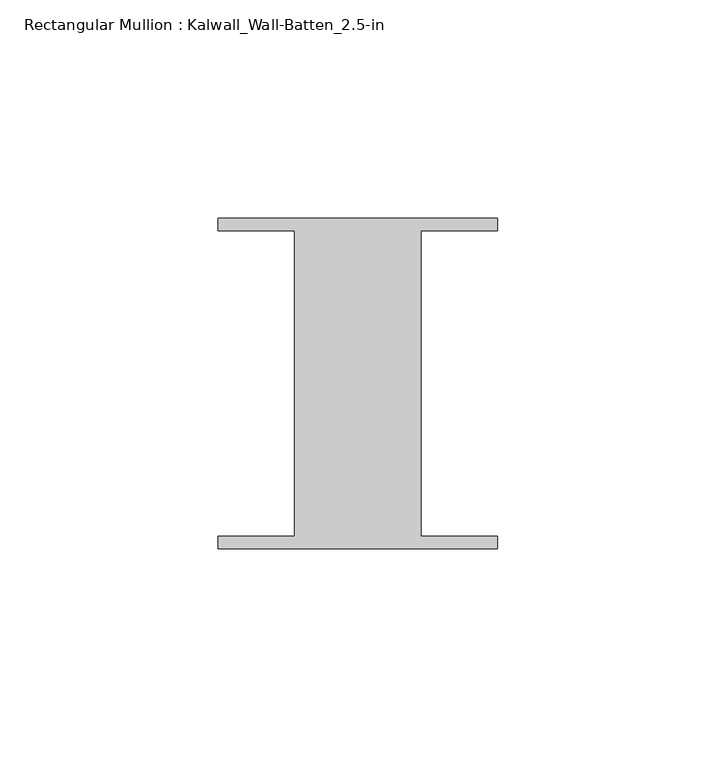
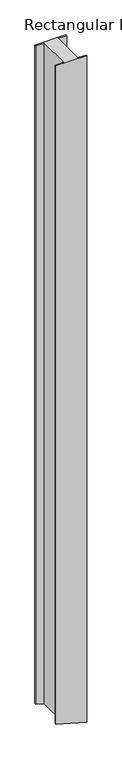
"""IFC4 building model written with IfcOpenShell, lengths in millimetres: member geometry, Rectangular Mullion : Kalwall_Wall-Batten_2.5-in."""

from ifc_helpers import new_model, si_unit, frame, origin, place, context, project, spatial, circle_curve, source, transform, mapped, element, save
from ifc_brep_helpers import plane_surface, cylinder_surface, advanced_brep


def rectangular_mullion_kalwall_wall_batten_2_5_in_3c528eca(model_context):
    return source(origin(), model_context, "Body", "AdvancedBrep", [
        advanced_brep(
        [(-32.0, 36.524, 0.0), (-32.0, 33.73, 0.0), (-14.5, 33.73, 0.0), (-14.5, -36.27, 0.0), (-32.0, -36.27, 0.0), (-32.0, -39.064, 0.0), (32.0, -39.064, 0.0), (32.0, -36.27, 0.0), (14.5, -36.27, 0.0), (14.5, 33.73, 0.0), (32.0, 33.73, 0.0), (32.0, 36.524, 0.0), (-32.0, 36.524, -1445.8464115), (-32.0, 33.73, -1445.8464115), (-14.5, 33.73, -1451.0952362), (-14.5, -36.27, -1451.0952362), (-32.0, -36.27, -1445.8464115), (-32.0, -39.064, -1445.8464115), (13.8764532, -39.064, -1459.3256203), (32.0, -39.064, -1464.4018745), (32.0, -36.27, -1464.4018745), (14.5, -36.27, -1459.5025981), (14.5, 33.73, -1459.5025981), (32.0, 33.73, -1464.4018745), (32.0, 36.524, -1464.4018745), (13.8764532, 36.524, -1459.3256203)],
        [
            (0, 1),
            (1, 2),
            (2, 3),
            (3, 4),
            (4, 5),
            (5, 6),
            (6, 7),
            (7, 8),
            (8, 9),
            (9, 10),
            (10, 11),
            (11, 0),
            (0, 12),
            (12, 13),
            (13, 1),
            (13, 14, circle_curve(frame((731.6689997, 33.73, 1068.489308), z_axis=(0.0, -1.0, 0.0), x_axis=(-0.27315852665593804, 0.0, -0.9619690324096495)), 2627.7508351)),
            (14, 2),
            (14, 15),
            (15, 3),
            (15, 16, circle_curve(frame((731.6689997, -36.27, 1068.489308), z_axis=(0.0, 1.0, 0.0), x_axis=(-0.27315852665593804, 0.0, -0.9619690324096495)), 2627.7508351)),
            (16, 4),
            (16, 17),
            (17, 5),
            (17, 18, circle_curve(frame((731.6689997, -39.064, 1068.489308), z_axis=(0.0, -1.0, 0.0), x_axis=(-0.27315852665593804, 0.0, -0.9619690324096495)), 2627.7508351)),
            (18, 19, circle_curve(frame((731.6689997, -39.064, 1068.489308), z_axis=(0.0, -1.0, 0.0), x_axis=(0.30661617077994807, 0.0, -0.9518332437019847)), 2627.7508351)),
            (19, 6),
            (19, 20),
            (20, 7),
            (20, 21, circle_curve(frame((731.6689997, -36.27, 1068.489308), z_axis=(0.0, 1.0, 0.0), x_axis=(0.30661617077994807, 0.0, -0.9518332437019847)), 2627.7508351)),
            (21, 8),
            (21, 22),
            (22, 9),
            (22, 23, circle_curve(frame((731.6689997, 33.73, 1068.489308), z_axis=(0.0, -1.0, 0.0), x_axis=(0.30661617077994807, 0.0, -0.9518332437019847)), 2627.7508351)),
            (23, 10),
            (23, 24),
            (24, 11),
            (24, 25, circle_curve(frame((731.6689997, 36.524, 1068.489308), z_axis=(0.0, 1.0, 0.0), x_axis=(0.30661617077994807, 0.0, -0.9518332437019847)), 2627.7508351)),
            (25, 12, circle_curve(frame((731.6689997, 36.524, 1068.489308), z_axis=(0.0, 1.0, 0.0), x_axis=(-0.27315852665593804, 0.0, -0.9619690324096495)), 2627.7508351)),
            (25, 18),
        ],
        [
            plane_surface(frame((0.0, -50.497486, 0.0), z_axis=(0.0, 0.0, 1.0), x_axis=(-1.0, 0.0, 0.0))),
            plane_surface(frame((-32.0, 36.524, 0.0), z_axis=(-1.0, 0.0, 0.0), x_axis=(0.0, 0.0, -1.0))),
            plane_surface(frame((-32.0, 33.73, 0.0), z_axis=(0.0, -1.0, 0.0), x_axis=(0.0, 0.0, -1.0))),
            plane_surface(frame((-14.5, 33.73, 0.0), z_axis=(-1.0, 0.0, 0.0), x_axis=(0.0, 0.0, -1.0))),
            plane_surface(frame((-14.5, -36.27, 0.0), z_axis=(0.0, 1.0, 0.0), x_axis=(0.0, 0.0, -1.0))),
            plane_surface(frame((-32.0, -36.27, 0.0), z_axis=(-1.0, 0.0, 0.0), x_axis=(0.0, 0.0, -1.0))),
            plane_surface(frame((-32.0, -39.064, 0.0), z_axis=(0.0, -1.0, 0.0), x_axis=(0.0, 0.0, -1.0))),
            plane_surface(frame((32.0, -39.064, 0.0), z_axis=(1.0, 0.0, 0.0), x_axis=(0.0, 0.0, -1.0))),
            plane_surface(frame((32.0, -36.27, 0.0), z_axis=(0.0, 1.0, 0.0), x_axis=(0.0, 0.0, -1.0))),
            plane_surface(frame((14.5, -36.27, 0.0), z_axis=(1.0, 0.0, 0.0), x_axis=(0.0, 0.0, -1.0))),
            plane_surface(frame((14.5, 33.73, 0.0), z_axis=(0.0, -1.0, 0.0), x_axis=(0.0, 0.0, -1.0))),
            plane_surface(frame((32.0, 33.73, 0.0), z_axis=(1.0, 0.0, 0.0), x_axis=(0.0, 0.0, -1.0))),
            plane_surface(frame((32.0, 36.524, 0.0), z_axis=(0.0, 1.0, 0.0), x_axis=(0.0, 0.0, -1.0))),
            cylinder_surface(frame((731.6689997, 0.0, 1068.489308), z_axis=(0.0, 1.0, 0.0), x_axis=(-0.27315852665593804, 0.0, -0.9619690324096495)), 2627.7508351),
            cylinder_surface(frame((731.6689997, 0.0, 1068.489308), z_axis=(0.0, 1.0000000000000002, 0.0), x_axis=(0.30661617077994807, 0.0, -0.9518332437019847)), 2627.7508351),
        ],
        [
            (0, [[1, 2, 3, 4, 5, 6, 7, 8, 9, 10, 11, 12]]),
            (1, [[-1, 13, 14, 15]]),
            (2, [[-2, -15, 16, 17]]),
            (3, [[-3, -17, 18, 19]]),
            (4, [[-4, -19, 20, 21]]),
            (5, [[-5, -21, 22, 23]]),
            (6, [[-6, -23, 24, 25, 26]]),
            (7, [[-7, -26, 27, 28]]),
            (8, [[-8, -28, 29, 30]]),
            (9, [[-9, -30, 31, 32]]),
            (10, [[-10, -32, 33, 34]]),
            (11, [[-11, -34, 35, 36]]),
            (12, [[-12, -36, 37, 38, -13]]),
            (13, [[-38, 39, -24, -22, -20, -18, -16, -14]]),
            (14, [[-37, -35, -33, -31, -29, -27, -25, -39]]),
        ],
    ),
    ])


if __name__ == "__main__":
    model = new_model("IFC4")
    model_context = context("Model", 3, world=origin())
    ifc_project = project(units=[si_unit("LENGTHUNIT", "METRE", prefix="MILLI")], contexts=[model_context])
    site = spatial("IfcSite", under=ifc_project)
    building = spatial("IfcBuilding", under=site)
    placement = place(None, origin())
    rectangular_mullion_kalwall_wall_batten_2_5_in_shape = rectangular_mullion_kalwall_wall_batten_2_5_in_3c528eca(model_context)
    element("IfcMember", 1, ObjectType="Rectangular Mullion : Kalwall_Wall-Batten_2.5-in", at=placement, inside=building, context=model_context, shape_type="MappedRepresentation", body=[
        mapped(rectangular_mullion_kalwall_wall_batten_2_5_in_shape, transform((0.0, 0.0, 0.0), x_axis=(1.0, 0.0, 0.0), y_axis=(0.0, 1.0, 0.0), z_axis=(0.0, 0.0, 1.0))),
    ])
    save(model, "model.ifc")
